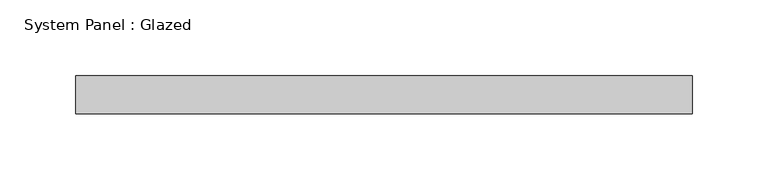
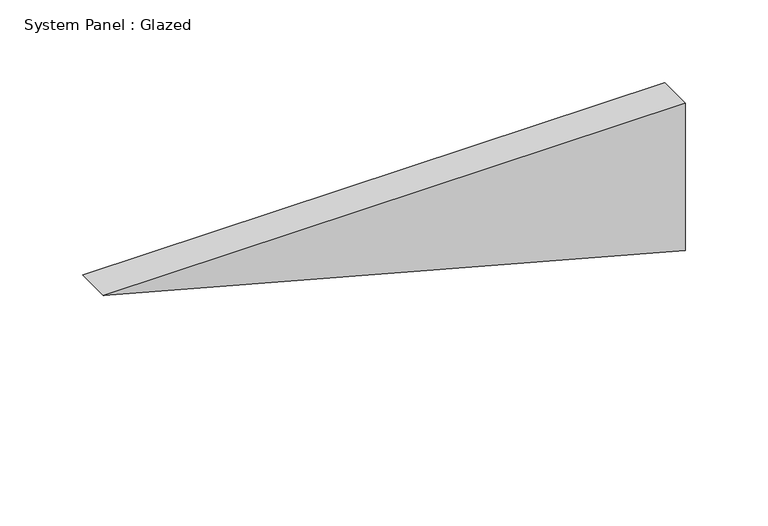
"""IFC4 building model written with IfcOpenShell, lengths in millimetres: plate geometry, System Panel : Glazed."""

from ifc_helpers import new_model, si_unit, frame, origin, place, context, project, spatial, polyline, outline, extrude, source, transform, mapped, element, save


def system_panel_glazed_1398ce3a(model_context):
    return source(origin(), model_context, "Body", "SweptSolid", [
        extrude(outline(polyline([(108.9419717, -203.2884867), (0.0, 203.2884867), (108.9419717, 203.2884867), (108.9419717, -203.2884867)])), frame((0.0, -2.5, 0.0), z_axis=(0.0, 1.0, 0.0), x_axis=(0.0, 0.0, 1.0)), (0.0, 0.0, 1.0), 25.0),
    ])


if __name__ == "__main__":
    model = new_model("IFC4")
    model_context = context("Model", 3, world=origin())
    ifc_project = project(units=[si_unit("LENGTHUNIT", "METRE", prefix="MILLI")], contexts=[model_context])
    site = spatial("IfcSite", under=ifc_project)
    building = spatial("IfcBuilding", under=site)
    placement = place(None, origin())
    system_panel_glazed_shape = system_panel_glazed_1398ce3a(model_context)
    element("IfcPlate", 1, ObjectType="System Panel : Glazed", at=placement, inside=building, context=model_context, shape_type="MappedRepresentation", body=[
        mapped(system_panel_glazed_shape, transform((0.0, 0.0, 0.0), x_axis=(1.0, 0.0, 0.0), y_axis=(0.0, 1.0, 0.0), z_axis=(0.0, 0.0, 1.0))),
    ])
    save(model, "model.ifc")
